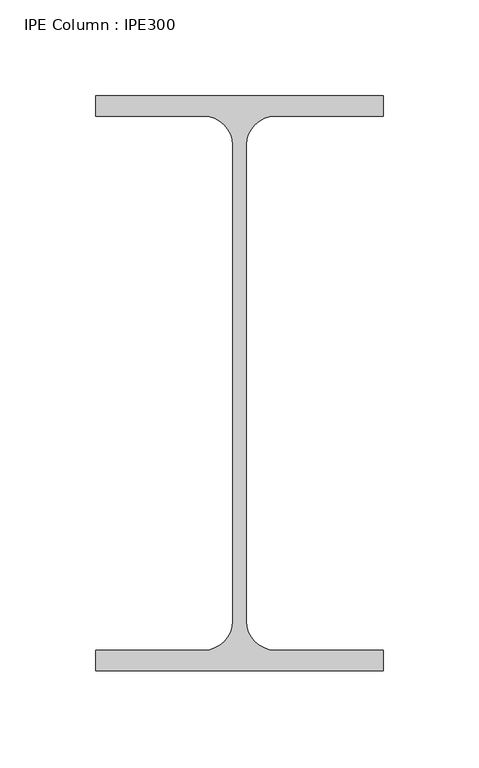
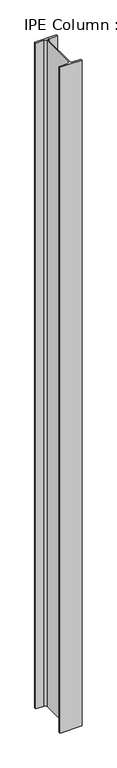
"""IFC4 building model written with IfcOpenShell, lengths in millimetres: column geometry, IPE Column : IPE300."""

from ifc_helpers import new_model, si_unit, point, frame, frame_2d, origin, place, context, project, spatial, polyline, circle_curve, trimmed, segment, composite_curve, outline, extrude, source, transform, mapped, element, save


def ipe_column_ipe300_32037b8f(model_context):
    return source(origin(), model_context, "Body", "SweptSolid", [
        extrude(outline(composite_curve([segment(polyline([(75.0, 150.0), (75.0, 139.3), (18.55, 139.3)]), True, "CONTINUOUS"), segment(trimmed(circle_curve(frame_2d((18.55, 124.3)), 15.0), [point((18.55, 139.3))], [point((3.55, 124.3))], True, "CARTESIAN"), True, "CONTINUOUS"), segment(polyline([(3.55, 124.3), (3.55, -124.3)]), True, "CONTINUOUS"), segment(trimmed(circle_curve(frame_2d((18.55, -124.3)), 15.0), [point((3.55, -124.3))], [point((18.55, -139.3))], True, "CARTESIAN"), True, "CONTINUOUS"), segment(polyline([(18.55, -139.3), (75.0, -139.3), (75.0, -150.0), (-75.0, -150.0), (-75.0, -139.3), (-18.55, -139.3)]), True, "CONTINUOUS"), segment(trimmed(circle_curve(frame_2d((-18.55, -124.3)), 15.0), [point((-18.55, -139.3))], [point((-3.55, -124.3))], True, "CARTESIAN"), True, "CONTINUOUS"), segment(polyline([(-3.55, -124.3), (-3.55, 124.3)]), True, "CONTINUOUS"), segment(trimmed(circle_curve(frame_2d((-18.55, 124.3)), 15.0), [point((-3.55, 124.3))], [point((-18.55, 139.3))], True, "CARTESIAN"), True, "CONTINUOUS"), segment(polyline([(-18.55, 139.3), (-75.0, 139.3), (-75.0, 150.0), (75.0, 150.0)]), True, "CONTINUOUS")], self_intersect=False)), frame((0.0, 0.0, 1400.0), z_axis=(0.0, 0.0, 1.0), x_axis=(1.0, 0.0, 0.0)), (0.0, 0.0, 1.0), 4800.0),
    ])


if __name__ == "__main__":
    model = new_model("IFC4")
    model_context = context("Model", 3, world=origin())
    ifc_project = project(units=[si_unit("LENGTHUNIT", "METRE", prefix="MILLI")], contexts=[model_context])
    site = spatial("IfcSite", under=ifc_project)
    building = spatial("IfcBuilding", under=site)
    placement = place(None, origin())
    ipe_column_ipe300_shape = ipe_column_ipe300_32037b8f(model_context)
    element("IfcColumn", 1, ObjectType="IPE Column : IPE300", at=placement, inside=building, context=model_context, shape_type="MappedRepresentation", body=[
        mapped(ipe_column_ipe300_shape, transform((0.0, 0.0, 0.0), x_axis=(1.0, 0.0, 0.0), y_axis=(0.0, 1.0, 0.0), z_axis=(0.0, 0.0, 1.0))),
    ])
    save(model, "model.ifc")
